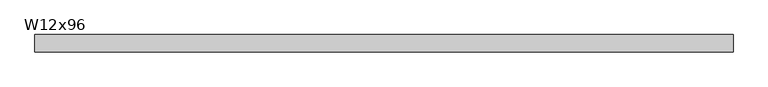
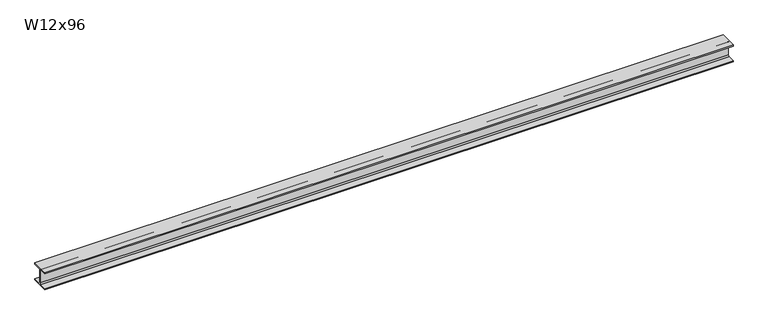
"""IFC4 building model written with IfcOpenShell, lengths in millimetres: beam geometry, W12x96."""

from ifc_helpers import new_model, si_unit, point, frame, frame_2d, origin, place, context, project, spatial, polyline, circle_curve, trimmed, segment, composite_curve, outline, extrude, source, transform, mapped, element, save


def w12x96_4f248d3f(model_context):
    return source(origin(), model_context, "Body", "SweptSolid", [
        extrude(outline(composite_curve([segment(polyline([(154.94, -138.43), (154.94, -161.29), (-154.94, -161.29), (-154.94, -138.43), (-30.1625, -138.43)]), True, "CONTINUOUS"), segment(trimmed(circle_curve(frame_2d((-30.1625, -115.2525)), 23.1775), [point((-30.1625, -138.43))], [point((-6.985, -115.2525))], True, "CARTESIAN"), True, "CONTINUOUS"), segment(polyline([(-6.985, -115.2525), (-6.985, 115.2525)]), True, "CONTINUOUS"), segment(trimmed(circle_curve(frame_2d((-30.1625, 115.2525)), 23.1775), [point((-6.985, 115.2525))], [point((-30.1625, 138.43))], True, "CARTESIAN"), True, "CONTINUOUS"), segment(polyline([(-30.1625, 138.43), (-154.94, 138.43), (-154.94, 161.29), (154.94, 161.29), (154.94, 138.43), (30.1625, 138.43)]), True, "CONTINUOUS"), segment(trimmed(circle_curve(frame_2d((30.1625, 115.2525)), 23.1775), [point((30.1625, 138.43))], [point((6.985, 115.2525))], True, "CARTESIAN"), True, "CONTINUOUS"), segment(polyline([(6.985, 115.2525), (6.985, -115.2525)]), True, "CONTINUOUS"), segment(trimmed(circle_curve(frame_2d((30.1625, -115.2525)), 23.1775), [point((6.985, -115.2525))], [point((30.1625, -138.43))], True, "CARTESIAN"), True, "CONTINUOUS"), segment(polyline([(30.1625, -138.43), (154.94, -138.43)]), True, "CONTINUOUS")], self_intersect=False)), frame((-6172.2, 0.0, 0.0), z_axis=(1.0, 0.0, 0.0), x_axis=(0.0, 1.0, 0.0)), (0.0, 0.0, 1.0), 12344.4),
    ])


if __name__ == "__main__":
    model = new_model("IFC4")
    model_context = context("Model", 3, world=origin())
    ifc_project = project(units=[si_unit("LENGTHUNIT", "METRE", prefix="MILLI")], contexts=[model_context])
    site = spatial("IfcSite", under=ifc_project)
    building = spatial("IfcBuilding", under=site)
    placement = place(None, origin())
    w12x96_shape = w12x96_4f248d3f(model_context)
    element("IfcBeam", 1, ObjectType="W12x96", at=placement, inside=building, context=model_context, shape_type="MappedRepresentation", body=[
        mapped(w12x96_shape, transform((0.0, 0.0, 0.0), x_axis=(1.0, 0.0, 0.0), y_axis=(0.0, 1.0, 0.0), z_axis=(0.0, 0.0, 1.0))),
    ])
    save(model, "model.ifc")
